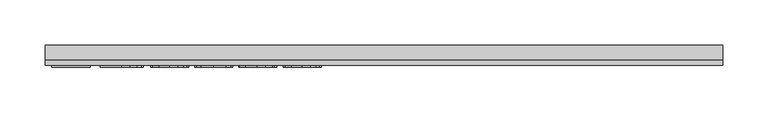
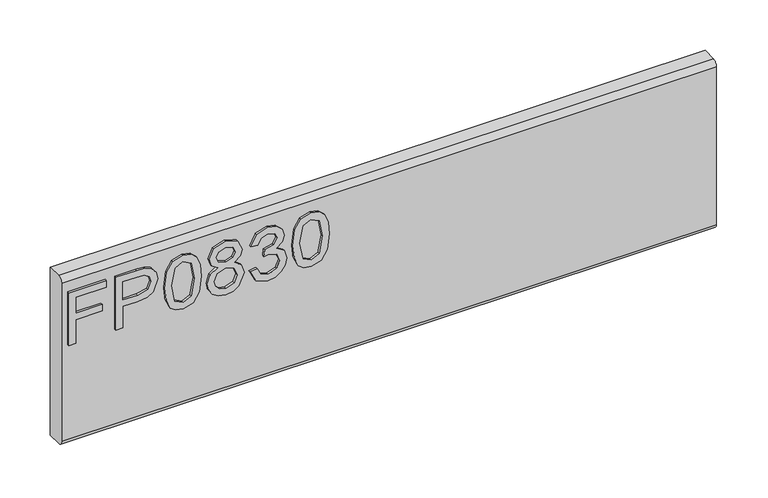
"""IFC4 building model written with IfcOpenShell, lengths in millimetres: furniture geometry."""

from ifc_helpers import new_model, si_unit, frame, origin, place, context, project, spatial, polyline, circle_curve, outline, extrude, source, transform, mapped, element, save
from ifc_brep_helpers import plane_surface, cylinder_surface, advanced_brep


def furniture_c85c2974(model_context):
    return source(origin(), model_context, "Body", "SolidModel", [
        extrude(outline(polyline([(476.25, -367.6729953), (476.25, -359.6992757), (505.1547336, -359.6992757), (505.1547336, -329.7978271), (513.1284532, -329.7978271), (513.1284532, -359.6992757), (532.0660373, -359.6992757), (532.0660373, -324.8142524), (540.0397569, -324.8142524), (540.0397569, -367.6729953), (476.25, -367.6729953)])), frame((0.0, -15.0812439, 0.0), z_axis=(0.0, 1.0, 0.0), x_axis=(0.0, 0.0, 1.0)), (0.0, 0.0, 1.0), 2.38125),
        extrude(outline(polyline([(476.25, -313.8503879), (476.25, -305.8766683), (502.1645888, -305.8766683), (502.1645888, -289.6644766), (503.574006, -278.3365776), (507.8022577, -271.1395948), (521.5849567, -266.0080702), (530.282852, -267.9080581), (536.4500257, -272.930567), (539.4323838, -280.6784684), (540.0397569, -290.2095551), (540.0397569, -313.8503879), (476.25, -313.8503879)]), holes=[polyline([(510.1383084, -305.8766683), (532.0660373, -305.8766683), (532.0660373, -289.3841506), (531.5209588, -281.4104309), (527.9078671, -276.0297276), (521.3046306, -273.9817898), (513.0661585, -277.4547185), (510.1383084, -289.1972665), (510.1383084, -305.8766683)])]), frame((0.0, -15.0812439, 0.0), z_axis=(0.0, 1.0, 0.0), x_axis=(0.0, 0.0, 1.0)), (0.0, 0.0, 1.0), 2.38125),
        extrude(outline(polyline([(507.6309473, -258.0343506), (492.1156775, -256.4458361), (481.3270168, -251.6802928), (476.771718, -245.3885296), (475.253285, -237.1033366), (478.7495742, -225.4308701), (489.3552443, -218.4927996), (507.6309473, -216.1723226), (522.6206058, -217.620674), (532.0582505, -221.3583551), (537.9840324, -227.7902813), (540.0397569, -237.1033366), (536.5668283, -248.7290821), (525.9845188, -255.6905131), (507.6309473, -258.0343506)]), holes=[polyline([(507.646521, -250.060631), (527.7988514, -246.1983605), (532.0660373, -237.1967786), (527.2226256, -227.7591339), (507.646521, -224.1460422), (487.8601718, -227.8837233), (483.2270047, -237.1033366), (487.8445982, -246.3229499), (507.646521, -250.060631)])]), frame((0.0, -15.0812439, 0.0), z_axis=(0.0, 1.0, 0.0), x_axis=(0.0, 0.0, 1.0)), (0.0, 0.0, 1.0), 2.38125),
        extrude(outline(polyline([(511.3842021, -197.5773593), (505.5907964, -206.1740257), (495.0318474, -209.1953179), (487.2742125, -207.7547533), (480.9143145, -203.4330596), (476.6685424, -196.7597415), (475.253285, -188.2643039), (476.6627023, -179.7688663), (480.890954, -173.0955482), (494.813816, -167.3332899), (505.1313731, -170.2377796), (511.3842021, -178.7176435), (516.313269, -171.6549837), (523.8275653, -169.3267198), (535.3209346, -174.5594733), (540.0397569, -188.3733196), (535.4299503, -202.0625765), (524.0455967, -207.201888), (516.3366295, -204.8424768), (511.3842021, -197.5773593)]), holes=[polyline([(523.8119916, -199.2281684), (529.6365446, -196.3548261), (532.0660373, -188.2643039), (529.5820368, -180.1971423), (523.4537972, -177.3004395), (517.5358022, -180.1037003), (515.1218831, -188.1708619), (517.5513758, -196.4015471), (523.8119916, -199.2281684)]), polyline([(495.3121735, -201.2215983), (503.7686769, -197.8498985), (507.1481635, -188.4667617), (503.7219559, -178.8110856), (495.0629947, -175.3070095), (486.5675571, -178.7020699), (483.2270047, -188.2020092), (484.8155191, -195.1790139), (489.3085232, -199.8900494), (495.3121735, -201.2215983)])]), frame((0.0, -15.0812439, 0.0), z_axis=(0.0, 1.0, 0.0), x_axis=(0.0, 0.0, 1.0)), (0.0, 0.0, 1.0), 2.38125),
        extrude(outline(polyline([(493.1941542, -160.3562853), (480.2524335, -154.0178011), (475.253285, -140.0326444), (476.7172101, -131.5099529), (481.1089854, -124.5991364), (487.6032063, -120.020477), (495.3744681, -118.4942573), (505.7465331, -121.5466968), (511.197318, -130.2368053), (516.4767925, -123.6958634), (523.8275653, -121.4844021), (531.8713664, -123.812666), (537.8516562, -130.5404919), (540.0397569, -140.1572338), (535.6012607, -152.8342021), (523.0956028, -159.3595703), (522.0988878, -151.3858507), (529.5742499, -147.4768592), (532.0660373, -139.8769077), (529.5976105, -132.3703982), (523.3603552, -129.4581217), (516.3210558, -133.4761289), (514.1251682, -143.8014729), (506.1514486, -144.6891721), (507.0235742, -139.0982242), (503.76089, -130.0343476), (495.5146312, -126.4679769), (486.762228, -130.0654949), (483.2270047, -139.7523184), (485.7966604, -147.9830036), (494.1908691, -152.3825656), (493.1941542, -160.3562853)])), frame((0.0, -15.0812439, 0.0), z_axis=(0.0, 1.0, 0.0), x_axis=(0.0, 0.0, 1.0)), (0.0, 0.0, 1.0), 2.38125),
        extrude(outline(polyline([(507.6309473, -111.5172526), (492.1156775, -109.9287381), (481.3270168, -105.1631948), (476.771718, -98.8714316), (475.253285, -90.5862386), (478.7495742, -78.9137721), (489.3552443, -71.9757016), (507.6309473, -69.6552246), (522.6206058, -71.103576), (532.0582505, -74.8412571), (537.9840324, -81.2731833), (540.0397569, -90.5862386), (536.5668283, -102.2119841), (525.9845188, -109.1734151), (507.6309473, -111.5172526)]), holes=[polyline([(507.646521, -103.543533), (527.7988514, -99.6812625), (532.0660373, -90.6796806), (527.2226256, -81.2420359), (507.646521, -77.6289442), (487.8601718, -81.3666253), (483.2270047, -90.5862386), (487.8445982, -99.8058519), (507.646521, -103.543533)])]), frame((0.0, -15.0812439, 0.0), z_axis=(0.0, 1.0, 0.0), x_axis=(0.0, 0.0, 1.0)), (0.0, 0.0, 1.0), 2.38125),
        advanced_brep(
        [(374.65, 9.5250061, 558.8), (374.65, -6.7309939, 558.8), (374.65, -12.6999939, 552.831), (374.65, -12.6999939, 361.569), (374.65, -6.7309939, 355.6), (374.65, 9.5250061, 355.6), (-374.65, 9.5250061, 558.8), (-374.65, 9.5250061, 355.6), (-374.65, -6.7309939, 355.6), (-374.65, -12.6999939, 361.569), (-374.65, -12.6999939, 552.8310121), (-374.65, -6.7309939, 558.8)],
        [
            (0, 1),
            (1, 2, circle_curve(frame((374.65, -6.7309939, 552.831), z_axis=(1.0, 0.0, 0.0), x_axis=(0.0, 1.0, 0.0)), 5.969)),
            (2, 3),
            (3, 4, circle_curve(frame((374.65, -6.7309939, 361.569), z_axis=(1.0, 0.0, 0.0), x_axis=(0.0, 1.0, 0.0)), 5.969)),
            (4, 5),
            (5, 0),
            (6, 7),
            (7, 8),
            (8, 9, circle_curve(frame((-374.65, -6.7309939, 361.569), z_axis=(-1.0, 0.0, 0.0), x_axis=(0.0, 1.0, 0.0)), 5.969)),
            (9, 10),
            (10, 11, circle_curve(frame((-374.65, -6.7309939, 552.831), z_axis=(-1.0, 0.0, 0.0), x_axis=(0.0, 1.0, 0.0)), 5.969)),
            (11, 6),
            (0, 6),
            (11, 1),
            (10, 2),
            (9, 3),
            (8, 4),
            (7, 5),
        ],
        [
            plane_surface(frame((374.65, -6.7309939, 558.8), z_axis=(1.0, 0.0, 0.0), x_axis=(0.0, -1.0, 0.0))),
            plane_surface(frame((-374.65, -6.7309939, 558.8), z_axis=(-1.0, 0.0, 0.0), x_axis=(0.0, 1.0, 0.0))),
            plane_surface(frame((374.65, 9.5250061, 558.8), z_axis=(0.0, 0.0, 1.0), x_axis=(-1.0, 0.0, 0.0))),
            cylinder_surface(frame((-374.65, -6.7309939, 552.831), z_axis=(1.0, 0.0, 0.0), x_axis=(0.0, 1.0, 0.0)), 5.969),
            plane_surface(frame((374.65, -12.6999939, 552.8310121), z_axis=(0.0, -1.0, 0.0), x_axis=(-1.0, 0.0, 0.0))),
            cylinder_surface(frame((-374.65, -6.7309939, 361.569), z_axis=(1.0, 0.0, 0.0), x_axis=(0.0, 1.0, 0.0)), 5.969),
            plane_surface(frame((374.65, -6.7309939, 355.6), z_axis=(0.0, 0.0, -1.0), x_axis=(-1.0, 0.0, 0.0))),
            plane_surface(frame((374.65, 9.5250061, 355.6), z_axis=(0.0, 1.0, 0.0), x_axis=(-1.0, 0.0, 0.0))),
        ],
        [
            (0, [[1, 2, 3, 4, 5, 6]]),
            (1, [[7, 8, 9, 10, 11, 12]]),
            (2, [[-1, 13, -12, 14]]),
            (3, [[-2, -14, -11, 15]]),
            (4, [[-3, -15, -10, 16]]),
            (5, [[-4, -16, -9, 17]]),
            (6, [[-5, -17, -8, 18]]),
            (7, [[-6, -18, -7, -13]]),
        ],
    ),
    ])


if __name__ == "__main__":
    model = new_model("IFC4")
    model_context = context("Model", 3, world=origin())
    ifc_project = project(units=[si_unit("LENGTHUNIT", "METRE", prefix="MILLI")], contexts=[model_context])
    site = spatial("IfcSite", under=ifc_project)
    building = spatial("IfcBuilding", under=site)
    placement = place(None, origin())
    furniture_shape = furniture_c85c2974(model_context)
    element("IfcFurniture", 1, at=placement, inside=building, context=model_context, shape_type="MappedRepresentation", body=[
        mapped(furniture_shape, transform((0.0, 0.0, 0.0), x_axis=(1.0, 0.0, 0.0), y_axis=(0.0, 1.0, 0.0), z_axis=(0.0, 0.0, 1.0))),
    ])
    save(model, "model.ifc")
